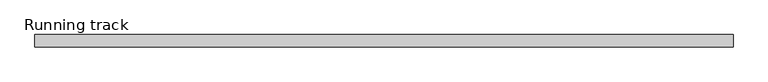
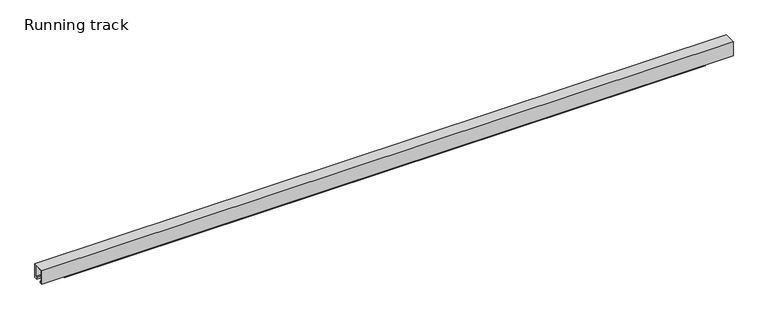
"""IFC4 building model written with IfcOpenShell, lengths in millimetres: proxy geometry, Running track."""

import ifcopenshell
import ifcopenshell.guid

model = None  # the IFC model being written
_history = None  # IfcOwnerHistory: only IFC2X3 demands one
_inside = {}  # id of a spatial element -> (the spatial element, [elements in it])
_under = {}  # id of a project, library or spatial element -> (it, [spatial elements below it])
_declared = {}  # id of a project -> (the project, [libraries it declares])
_typed = {}  # id of a type object -> (the type object, [elements of that type])
_made_of = {}  # id of a material, layer set ... -> (it, [elements and type objects made of it])


def new_model(schema):
    """Start an empty IFC model of exactly this schema.

    Asked for "IFC4X3", IfcOpenShell would pick the latest addendum, in which some entities
    have other attributes; the version numbers below select the first issue.
    IFC2X3 requires an IfcOwnerHistory on every rooted entity: one is made here for all.
    """
    global model, _history
    if schema == "IFC4X3":
        model = ifcopenshell.file(schema_version=(4, 3, 0, 0))
    else:
        model = ifcopenshell.file(schema=schema)
    _inside.clear()
    _under.clear()
    _declared.clear()
    _typed.clear()
    _made_of.clear()
    _history = None
    if model.schema == "IFC2X3":
        org = make("IfcOrganization", Name="unknown")
        user = make(
            "IfcPersonAndOrganization",
            ThePerson=make("IfcPerson", FamilyName="unknown"),
            TheOrganization=org,
        )
        app = make(
            "IfcApplication",
            ApplicationDeveloper=org,
            Version="unknown",
            ApplicationFullName="unknown",
            ApplicationIdentifier="unknown",
        )
        _history = make(
            "IfcOwnerHistory",
            OwningUser=user,
            OwningApplication=app,
            ChangeAction="ADDED",
            CreationDate=0,
        )
    return model


def make(cls, **values):
    """One entity of the class cls with the attributes given. An attribute that is None is left unset."""
    return model.create_entity(
        cls, **{name: value for name, value in values.items() if value is not None}
    )


def rooted(cls, **values):
    """An entity with a GlobalId (a new one), such as an element, a storey or a relation."""
    return make(cls, GlobalId=ifcopenshell.guid.new(), OwnerHistory=_history, **values)


def si_unit(unit_type, name, prefix=None):
    """IfcSIUnit, for example si_unit("LENGTHUNIT", "METRE", prefix="MILLI")."""
    return make("IfcSIUnit", UnitType=unit_type, Prefix=prefix, Name=name)


def assignment(units):
    """IfcUnitAssignment: the units of a project."""
    return None if units is None else make("IfcUnitAssignment", Units=units)


def point(xyz):
    """IfcCartesianPoint."""
    return None if xyz is None else make("IfcCartesianPoint", Coordinates=xyz)


def direction(xyz):
    """IfcDirection."""
    return None if xyz is None else make("IfcDirection", DirectionRatios=xyz)


def frame(location, z_axis=None, x_axis=None):
    """IfcAxis2Placement3D, a coordinate frame: its origin and axes. An axis left out is left unset."""
    return make(
        "IfcAxis2Placement3D",
        Location=point(location),
        Axis=direction(z_axis),
        RefDirection=direction(x_axis),
    )


def frame_2d(location, x_axis=None):
    """IfcAxis2Placement2D, a coordinate frame in the plane: its origin and x axis."""
    return make(
        "IfcAxis2Placement2D", Location=point(location), RefDirection=direction(x_axis)
    )


def origin():
    """The frame at (0, 0, 0) with its axes left unset."""
    return frame((0.0, 0.0, 0.0))


def place(relative_to, where):
    """IfcLocalPlacement: puts the frame where relative to a parent placement (None: the world)."""
    return make(
        "IfcLocalPlacement", PlacementRelTo=relative_to, RelativePlacement=where
    )


def context(
    kind, dimensions, precision=None, world=None, true_north=None, identifier=None
):
    """IfcGeometricRepresentationContext, for example the 3D "Model" context."""
    return make(
        "IfcGeometricRepresentationContext",
        ContextIdentifier=identifier,
        ContextType=kind,
        CoordinateSpaceDimension=dimensions,
        Precision=precision,
        WorldCoordinateSystem=world,
        TrueNorth=true_north,
    )


def project(units=None, contexts=None):
    """IfcProject with its units and contexts."""
    return rooted(
        "IfcProject",
        Name="project",
        RepresentationContexts=contexts,
        UnitsInContext=assignment(units),
    )


def spatial(cls, under=None, at=None, **own):
    """A site, building, storey or space (cls), placed at a placement, below another one or the project."""
    s = rooted(cls, ObjectPlacement=at, **own)
    if under is not None:
        _under.setdefault(under.id(), (under, []))[1].append(s)
    return s


def polyline(points):
    """IfcPolyline through the points."""
    return make("IfcPolyline", Points=[point(p) for p in points])


def circle_curve(where, radius):
    """IfcCircle in the frame where."""
    return make("IfcCircle", Position=where, Radius=radius)


def trimmed(basis, trim1, trim2, sense, master):
    """IfcTrimmedCurve: the piece of a basis curve between two trims."""
    return make(
        "IfcTrimmedCurve",
        BasisCurve=basis,
        Trim1=trim1,
        Trim2=trim2,
        SenseAgreement=sense,
        MasterRepresentation=master,
    )


def segment(curve, same_sense, transition):
    """IfcCompositeCurveSegment."""
    return make(
        "IfcCompositeCurveSegment",
        Transition=transition,
        SameSense=same_sense,
        ParentCurve=curve,
    )


def composite_curve(segments, self_intersect=None):
    """IfcCompositeCurve: segments joined end to end."""
    return make("IfcCompositeCurve", Segments=segments, SelfIntersect=self_intersect)


def outline(outer, holes=None, kind="AREA"):
    """IfcArbitraryClosedProfileDef: a profile drawn as a closed curve; with holes, ...WithVoids."""
    if holes is None:
        return make("IfcArbitraryClosedProfileDef", ProfileType=kind, OuterCurve=outer)
    return make(
        "IfcArbitraryProfileDefWithVoids",
        ProfileType=kind,
        OuterCurve=outer,
        InnerCurves=holes,
    )


def extrude(swept, where, along, depth):
    """IfcExtrudedAreaSolid: the profile swept, set in the frame where, extruded along a direction by depth."""
    return make(
        "IfcExtrudedAreaSolid",
        SweptArea=swept,
        Position=where,
        ExtrudedDirection=direction(along),
        Depth=depth,
    )


def faces_of(points, faces, orient=None, outer=None):
    """IfcFace entities. A face is a list of loops; a loop is a list of indices into points, from 0.

    orient and outer hold one flag for each loop. By default every Orientation is true, the
    first loop of a face is its IfcFaceOuterBound and the others are IfcFaceBound.
    """
    made = []
    for i, loops in enumerate(faces):
        bounds = []
        for j, loop in enumerate(loops):
            is_outer = j == 0 if outer is None else outer[i][j]
            bounds.append(
                make(
                    "IfcFaceOuterBound" if is_outer else "IfcFaceBound",
                    Bound=make("IfcPolyLoop", Polygon=[points[k] for k in loop]),
                    Orientation=True if orient is None else orient[i][j],
                )
            )
        made.append(make("IfcFace", Bounds=bounds))
    return made


def faceted_brep(points, faces, orient=None, outer=None, voids=None):
    """IfcFacetedBrep: a solid bounded by flat faces; with voids (closed shells), ...WithVoids."""
    shared = [point(p) for p in points]
    hull = make("IfcClosedShell", CfsFaces=faces_of(shared, faces, orient, outer))
    if voids is None:
        return make("IfcFacetedBrep", Outer=hull)
    return make(
        "IfcFacetedBrepWithVoids",
        Outer=hull,
        Voids=[
            make(cls, CfsFaces=faces_of(shared, fs, o, b)) for cls, fs, o, b in voids
        ],
    )


def shape(context_of_items, identifier, shape_type, items):
    """IfcShapeRepresentation: the items that make up one representation, for example the "Body"."""
    return make(
        "IfcShapeRepresentation",
        ContextOfItems=context_of_items,
        RepresentationIdentifier=identifier,
        RepresentationType=shape_type,
        Items=items,
    )


def source(mapping_origin, context_of_items, identifier, shape_type, items):
    """IfcRepresentationMap: a shape defined once, which mapped items show again and again."""
    return make(
        "IfcRepresentationMap",
        MappingOrigin=mapping_origin,
        MappedRepresentation=shape(context_of_items, identifier, shape_type, items),
    )


def transform(
    local_origin,
    x_axis=None,
    y_axis=None,
    z_axis=None,
    scale=None,
    scale2=None,
    scale3=None,
    uniform=True,
):
    """IfcCartesianTransformationOperator3D, or its non-uniform kind. x_axis, y_axis, z_axis: its Axis1, 2, 3."""
    if uniform:
        return make(
            "IfcCartesianTransformationOperator3D",
            Axis1=direction(x_axis),
            Axis2=direction(y_axis),
            LocalOrigin=point(local_origin),
            Scale=scale,
            Axis3=direction(z_axis),
        )
    return make(
        "IfcCartesianTransformationOperator3DnonUniform",
        Axis1=direction(x_axis),
        Axis2=direction(y_axis),
        LocalOrigin=point(local_origin),
        Scale=scale,
        Axis3=direction(z_axis),
        Scale2=scale2,
        Scale3=scale3,
    )


def mapped(mapping_source, mapping_target):
    """IfcMappedItem: shows the shape of a source again, moved by a transform."""
    return make(
        "IfcMappedItem", MappingSource=mapping_source, MappingTarget=mapping_target
    )


def made_of(thing, what):
    """Note that an element or type object is made of a material, layer set ...; save() writes the relation."""
    if what is not None:
        _made_of.setdefault(what.id(), (what, []))[1].append(thing)
    return thing


def element(
    cls,
    number,
    at=None,
    inside=None,
    cuts=None,
    type_object=None,
    material=None,
    context=None,
    identifier="Body",
    shape_type=None,
    held_by="IfcProductDefinitionShape",
    body=None,
    shapes=None,
    **own,
):
    """One element of the class cls, such as IfcWall. Its Tag is "e" and its number.

    at: its placement. inside: the storey or other place that contains it. cuts: it is an
    opening in that element (IfcRelVoidsElement). A single representation is given by context,
    identifier, shape_type and body (its items); several are given by shapes. held_by: the class
    of the entity that holds the representations. save() writes the other relations.
    """
    e = rooted(cls, Tag="e%d" % number, ObjectPlacement=at, **own)
    if body is not None:
        shapes = [shape(context, identifier, shape_type, body)]
    if shapes is not None:
        e.Representation = make(held_by, Representations=shapes)
    if inside is not None:
        _inside.setdefault(inside.id(), (inside, []))[1].append(e)
    if cuts is not None:
        rooted(
            "IfcRelVoidsElement", RelatingBuildingElement=cuts, RelatedOpeningElement=e
        )
    if type_object is not None:
        _typed.setdefault(type_object.id(), (type_object, []))[1].append(e)
    return made_of(e, material)


def aggregate(whole, parts):
    """IfcRelAggregates: a whole, such as a stair, and the parts it consists of."""
    return rooted("IfcRelAggregates", RelatingObject=whole, RelatedObjects=parts)


def save(model, path):
    """Write the relations noted so far, then the file.

    IfcRelAggregates (storeys below a building ...), IfcRelContainedInSpatialStructure (elements
    in a storey), IfcRelDefinesByType, IfcRelAssociatesMaterial and IfcRelDeclares: one each for
    every whole, place, type object, material and project.
    """
    for whole, parts in _under.values():
        aggregate(whole, parts)
    for where, things in _inside.values():
        rooted(
            "IfcRelContainedInSpatialStructure",
            RelatedElements=things,
            RelatingStructure=where,
        )
    for kind, things in _typed.values():
        rooted("IfcRelDefinesByType", RelatedObjects=things, RelatingType=kind)
    for what, things in _made_of.values():
        rooted("IfcRelAssociatesMaterial", RelatedObjects=things, RelatingMaterial=what)
    for by, libraries in _declared.values():
        rooted("IfcRelDeclares", RelatingContext=by, RelatedDefinitions=libraries)
    model.write(path)


def running_track_cd41aa78(model_context):
    return source(origin(), model_context, "Body", "SolidModel", [
        extrude(outline(composite_curve([segment(trimmed(circle_curve(frame_2d((0.0, 16.67839)), 6.3335878), [point((-6.3335878, 16.67839))], [point((6.3335878, 16.67839))], False, "CARTESIAN"), True, "CONTINUOUS"), segment(trimmed(circle_curve(frame_2d((0.0, 16.67839)), 6.3335878), [point((6.3335878, 16.67839))], [point((-6.3335878, 16.67839))], False, "CARTESIAN"), True, "CONTINUOUS")], self_intersect=False)), frame((1027.5, 0.0, 0.0), z_axis=(1.0, 0.0, 0.0), x_axis=(0.0, 1.0, 0.0)), (0.0, 0.0, 1.0), 4.0),
        faceted_brep([(985.0, -14.5, 34.5), (985.0, -14.5, 1.0), (1027.5, -14.5, 1.0), (1027.5, -14.5, 34.5), (985.0, 14.5, 34.5), (1027.5, 14.5, 34.5), (1027.5, 14.5, 1.0), (985.0, 14.5, 1.0), (1027.5, -12.5, 34.5), (987.5764795, -12.5, 34.5), (987.5764795, 12.531559, 34.5), (1027.5, 12.531559, 34.5), (1027.5, 12.531559, 23.3706125), (1027.5, -12.5, 23.3706125), (987.5764795, -12.5, 23.3706125), (987.5764795, 12.531559, 23.3706125)], [[[0, 1, 2, 3]], [[4, 5, 6, 7]], [[3, 8, 9, 10, 11, 5, 4, 0]], [[2, 6, 5, 11, 12, 13, 8, 3]], [[1, 7, 6, 2]], [[0, 4, 7, 1]], [[14, 9, 8, 13]], [[15, 12, 11, 10]], [[15, 10, 9, 14]], [[14, 13, 12, 15]]]),
        extrude(outline(polyline([(985.0, -12.5), (985.0, 12.531559), (1029.4975776, 12.531559), (1029.4975776, -12.5), (985.0, -12.5)])), frame((0.0, 0.0, -2.0), z_axis=(0.0, 0.0, 1.0), x_axis=(1.0, 0.0, 0.0)), (0.0, 0.0, 1.0), 3.0),
        extrude(outline(polyline([(34.5, 1042.3890253), (30.9021554, 988.8206261), (22.3170527, 988.8206261), (31.2695661, 1064.167461), (31.2695661, 1066.0016212), (34.5, 1066.0016212), (34.5, 1042.3890253)])), frame((0.0, -12.5, 0.0), z_axis=(0.0, 1.0, 0.0), x_axis=(0.0, 0.0, 1.0)), (0.0, 0.0, 1.0), 25.031559),
        extrude(outline(polyline([(17.0, 38.0), (17.0, -2.0), (9.0, -2.0), (9.0, 3.0), (14.0, 3.0), (14.0, 37.0), (-14.0, 37.0), (-14.0, 3.0), (-9.0, 3.0), (-9.0, -2.0), (-17.0, -2.0), (-17.0, 38.0), (17.0, 38.0)])), frame((0.0, 0.0, 0.0), z_axis=(1.0, 0.0, 0.0), x_axis=(0.0, 1.0, 0.0)), (0.0, 0.0, 1.0), 1920.0),
        extrude(outline(polyline([(1850.5, -3.8955015), (69.5, -3.8955015), (69.5, 3.0), (1850.5, 3.0), (1850.5, -3.8955015)])), frame((0.0, 0.0, -15.0), z_axis=(0.0, 0.0, 1.0), x_axis=(1.0, 0.0, 0.0)), (0.0, 0.0, 1.0), 9.0),
    ])


if __name__ == "__main__":
    model = new_model("IFC4")
    model_context = context("Model", 3, world=origin())
    ifc_project = project(units=[si_unit("LENGTHUNIT", "METRE", prefix="MILLI")], contexts=[model_context])
    site = spatial("IfcSite", under=ifc_project)
    building = spatial("IfcBuilding", under=site)
    placement = place(None, origin())
    running_track_shape = running_track_cd41aa78(model_context)
    element("IfcBuildingElementProxy", 1, Name="Running track", ObjectType="Running track", at=placement, inside=building, context=model_context, shape_type="MappedRepresentation", body=[
        mapped(running_track_shape, transform((0.0, 0.0, 0.0), x_axis=(1.0, 0.0, 0.0), y_axis=(0.0, 1.0, 0.0), z_axis=(0.0, 0.0, 1.0))),
    ])
    save(model, "model.ifc")
